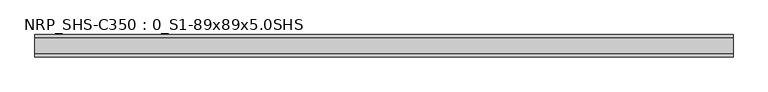
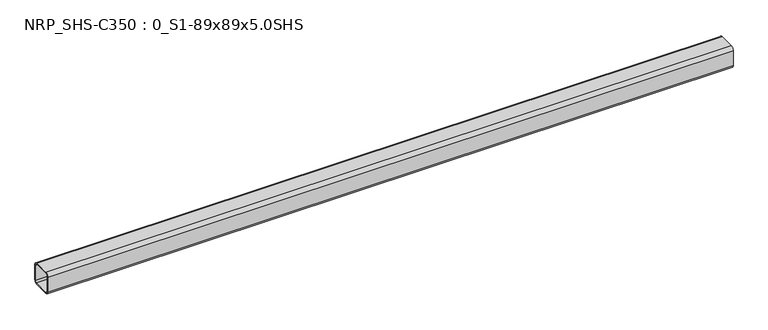
"""IFC4 building model written with IfcOpenShell, lengths in millimetres: beam geometry, NRP_SHS-C350 : 0_S1-89x89x5.0SHS."""

from ifc_helpers import new_model, si_unit, point, frame, frame_2d, origin, place, context, project, spatial, polyline, circle_curve, trimmed, segment, composite_curve, outline, extrude, source, transform, mapped, element, save


def nrp_shs_c350_0_s1_89x89x5_0shs_65bb83c2(model_context):
    return source(origin(), model_context, "Body", "SweptSolid", [
        extrude(outline(composite_curve([segment(trimmed(circle_curve(frame_2d((-32.0, 32.0)), 12.5), [point((-44.5, 32.0))], [point((-32.0, 44.5))], False, "CARTESIAN"), True, "CONTINUOUS"), segment(polyline([(-32.0, 44.5), (32.0, 44.5)]), True, "CONTINUOUS"), segment(trimmed(circle_curve(frame_2d((32.0, 32.0)), 12.5), [point((32.0, 44.5))], [point((44.5, 32.0))], False, "CARTESIAN"), True, "CONTINUOUS"), segment(polyline([(44.5, 32.0), (44.5, -32.0)]), True, "CONTINUOUS"), segment(trimmed(circle_curve(frame_2d((32.0, -32.0)), 12.5), [point((44.5, -32.0))], [point((32.0, -44.5))], False, "CARTESIAN"), True, "CONTINUOUS"), segment(polyline([(32.0, -44.5), (-32.0, -44.5)]), True, "CONTINUOUS"), segment(trimmed(circle_curve(frame_2d((-32.0, -32.0)), 12.5), [point((-32.0, -44.5))], [point((-44.5, -32.0))], False, "CARTESIAN"), True, "CONTINUOUS"), segment(polyline([(-44.5, -32.0), (-44.5, 32.0)]), True, "CONTINUOUS")], self_intersect=False), holes=[composite_curve([segment(polyline([(32.0, 39.5), (-32.0, 39.5)]), True, "CONTINUOUS"), segment(trimmed(circle_curve(frame_2d((-32.0, 32.0)), 7.5), [point((-32.0, 39.5))], [point((-39.5, 32.0))], True, "CARTESIAN"), True, "CONTINUOUS"), segment(polyline([(-39.5, 32.0), (-39.5, -32.0)]), True, "CONTINUOUS"), segment(trimmed(circle_curve(frame_2d((-32.0, -32.0)), 7.5), [point((-39.5, -32.0))], [point((-32.0, -39.5))], True, "CARTESIAN"), True, "CONTINUOUS"), segment(polyline([(-32.0, -39.5), (32.0, -39.5)]), True, "CONTINUOUS"), segment(trimmed(circle_curve(frame_2d((32.0, -32.0)), 7.5), [point((32.0, -39.5))], [point((39.5, -32.0))], True, "CARTESIAN"), True, "CONTINUOUS"), segment(polyline([(39.5, -32.0), (39.5, 32.0)]), True, "CONTINUOUS"), segment(trimmed(circle_curve(frame_2d((32.0, 32.0)), 7.5), [point((39.5, 32.0))], [point((32.0, 39.5))], True, "CARTESIAN"), True, "CONTINUOUS")], self_intersect=False)]), frame((-1380.5, 0.0, 0.0), z_axis=(1.0, 0.0, 0.0), x_axis=(0.0, 1.0, 0.0)), (0.0, 0.0, 1.0), 2759.0),
    ])


if __name__ == "__main__":
    model = new_model("IFC4")
    model_context = context("Model", 3, world=origin())
    ifc_project = project(units=[si_unit("LENGTHUNIT", "METRE", prefix="MILLI")], contexts=[model_context])
    site = spatial("IfcSite", under=ifc_project)
    building = spatial("IfcBuilding", under=site)
    placement = place(None, origin())
    nrp_shs_c350_0_s1_89x89x5_0shs_shape = nrp_shs_c350_0_s1_89x89x5_0shs_65bb83c2(model_context)
    element("IfcBeam", 1, ObjectType="NRP_SHS-C350 : 0_S1-89x89x5.0SHS", at=placement, inside=building, context=model_context, shape_type="MappedRepresentation", body=[
        mapped(nrp_shs_c350_0_s1_89x89x5_0shs_shape, transform((0.0, 0.0, 0.0), x_axis=(1.0, 0.0, 0.0), y_axis=(0.0, 1.0, 0.0), z_axis=(0.0, 0.0, 1.0))),
    ])
    save(model, "model.ifc")
